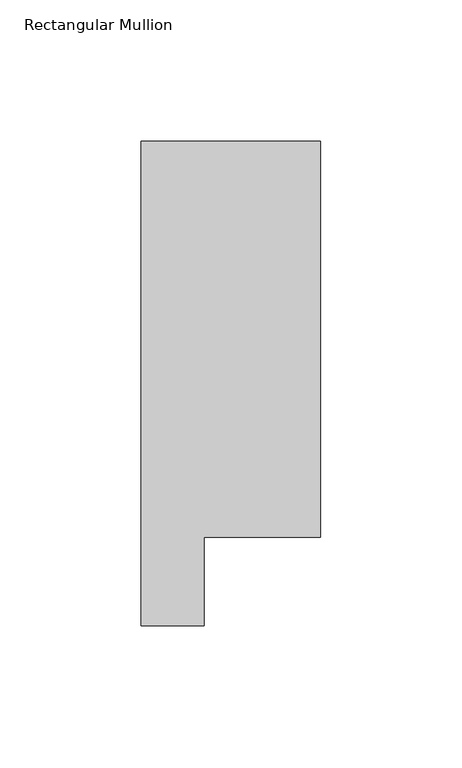
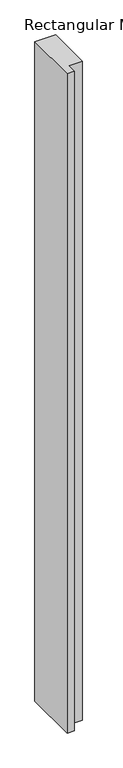
"""IFC4 building model written with IfcOpenShell, lengths in millimetres: member geometry, Rectangular Mullion."""

import ifcopenshell
import ifcopenshell.guid

model = None  # the IFC model being written
_history = None  # IfcOwnerHistory: only IFC2X3 demands one
_inside = {}  # id of a spatial element -> (the spatial element, [elements in it])
_under = {}  # id of a project, library or spatial element -> (it, [spatial elements below it])
_declared = {}  # id of a project -> (the project, [libraries it declares])
_typed = {}  # id of a type object -> (the type object, [elements of that type])
_made_of = {}  # id of a material, layer set ... -> (it, [elements and type objects made of it])


def new_model(schema):
    """Start an empty IFC model of exactly this schema.

    Asked for "IFC4X3", IfcOpenShell would pick the latest addendum, in which some entities
    have other attributes; the version numbers below select the first issue.
    IFC2X3 requires an IfcOwnerHistory on every rooted entity: one is made here for all.
    """
    global model, _history
    if schema == "IFC4X3":
        model = ifcopenshell.file(schema_version=(4, 3, 0, 0))
    else:
        model = ifcopenshell.file(schema=schema)
    _inside.clear()
    _under.clear()
    _declared.clear()
    _typed.clear()
    _made_of.clear()
    _history = None
    if model.schema == "IFC2X3":
        org = make("IfcOrganization", Name="unknown")
        user = make(
            "IfcPersonAndOrganization",
            ThePerson=make("IfcPerson", FamilyName="unknown"),
            TheOrganization=org,
        )
        app = make(
            "IfcApplication",
            ApplicationDeveloper=org,
            Version="unknown",
            ApplicationFullName="unknown",
            ApplicationIdentifier="unknown",
        )
        _history = make(
            "IfcOwnerHistory",
            OwningUser=user,
            OwningApplication=app,
            ChangeAction="ADDED",
            CreationDate=0,
        )
    return model


def make(cls, **values):
    """One entity of the class cls with the attributes given. An attribute that is None is left unset."""
    return model.create_entity(
        cls, **{name: value for name, value in values.items() if value is not None}
    )


def rooted(cls, **values):
    """An entity with a GlobalId (a new one), such as an element, a storey or a relation."""
    return make(cls, GlobalId=ifcopenshell.guid.new(), OwnerHistory=_history, **values)


def si_unit(unit_type, name, prefix=None):
    """IfcSIUnit, for example si_unit("LENGTHUNIT", "METRE", prefix="MILLI")."""
    return make("IfcSIUnit", UnitType=unit_type, Prefix=prefix, Name=name)


def assignment(units):
    """IfcUnitAssignment: the units of a project."""
    return None if units is None else make("IfcUnitAssignment", Units=units)


def point(xyz):
    """IfcCartesianPoint."""
    return None if xyz is None else make("IfcCartesianPoint", Coordinates=xyz)


def direction(xyz):
    """IfcDirection."""
    return None if xyz is None else make("IfcDirection", DirectionRatios=xyz)


def frame(location, z_axis=None, x_axis=None):
    """IfcAxis2Placement3D, a coordinate frame: its origin and axes. An axis left out is left unset."""
    return make(
        "IfcAxis2Placement3D",
        Location=point(location),
        Axis=direction(z_axis),
        RefDirection=direction(x_axis),
    )


def origin():
    """The frame at (0, 0, 0) with its axes left unset."""
    return frame((0.0, 0.0, 0.0))


def place(relative_to, where):
    """IfcLocalPlacement: puts the frame where relative to a parent placement (None: the world)."""
    return make(
        "IfcLocalPlacement", PlacementRelTo=relative_to, RelativePlacement=where
    )


def context(
    kind, dimensions, precision=None, world=None, true_north=None, identifier=None
):
    """IfcGeometricRepresentationContext, for example the 3D "Model" context."""
    return make(
        "IfcGeometricRepresentationContext",
        ContextIdentifier=identifier,
        ContextType=kind,
        CoordinateSpaceDimension=dimensions,
        Precision=precision,
        WorldCoordinateSystem=world,
        TrueNorth=true_north,
    )


def project(units=None, contexts=None):
    """IfcProject with its units and contexts."""
    return rooted(
        "IfcProject",
        Name="project",
        RepresentationContexts=contexts,
        UnitsInContext=assignment(units),
    )


def spatial(cls, under=None, at=None, **own):
    """A site, building, storey or space (cls), placed at a placement, below another one or the project."""
    s = rooted(cls, ObjectPlacement=at, **own)
    if under is not None:
        _under.setdefault(under.id(), (under, []))[1].append(s)
    return s


def polyline(points):
    """IfcPolyline through the points."""
    return make("IfcPolyline", Points=[point(p) for p in points])


def outline(outer, holes=None, kind="AREA"):
    """IfcArbitraryClosedProfileDef: a profile drawn as a closed curve; with holes, ...WithVoids."""
    if holes is None:
        return make("IfcArbitraryClosedProfileDef", ProfileType=kind, OuterCurve=outer)
    return make(
        "IfcArbitraryProfileDefWithVoids",
        ProfileType=kind,
        OuterCurve=outer,
        InnerCurves=holes,
    )


def extrude(swept, where, along, depth):
    """IfcExtrudedAreaSolid: the profile swept, set in the frame where, extruded along a direction by depth."""
    return make(
        "IfcExtrudedAreaSolid",
        SweptArea=swept,
        Position=where,
        ExtrudedDirection=direction(along),
        Depth=depth,
    )


def shape(context_of_items, identifier, shape_type, items):
    """IfcShapeRepresentation: the items that make up one representation, for example the "Body"."""
    return make(
        "IfcShapeRepresentation",
        ContextOfItems=context_of_items,
        RepresentationIdentifier=identifier,
        RepresentationType=shape_type,
        Items=items,
    )


def source(mapping_origin, context_of_items, identifier, shape_type, items):
    """IfcRepresentationMap: a shape defined once, which mapped items show again and again."""
    return make(
        "IfcRepresentationMap",
        MappingOrigin=mapping_origin,
        MappedRepresentation=shape(context_of_items, identifier, shape_type, items),
    )


def transform(
    local_origin,
    x_axis=None,
    y_axis=None,
    z_axis=None,
    scale=None,
    scale2=None,
    scale3=None,
    uniform=True,
):
    """IfcCartesianTransformationOperator3D, or its non-uniform kind. x_axis, y_axis, z_axis: its Axis1, 2, 3."""
    if uniform:
        return make(
            "IfcCartesianTransformationOperator3D",
            Axis1=direction(x_axis),
            Axis2=direction(y_axis),
            LocalOrigin=point(local_origin),
            Scale=scale,
            Axis3=direction(z_axis),
        )
    return make(
        "IfcCartesianTransformationOperator3DnonUniform",
        Axis1=direction(x_axis),
        Axis2=direction(y_axis),
        LocalOrigin=point(local_origin),
        Scale=scale,
        Axis3=direction(z_axis),
        Scale2=scale2,
        Scale3=scale3,
    )


def mapped(mapping_source, mapping_target):
    """IfcMappedItem: shows the shape of a source again, moved by a transform."""
    return make(
        "IfcMappedItem", MappingSource=mapping_source, MappingTarget=mapping_target
    )


def made_of(thing, what):
    """Note that an element or type object is made of a material, layer set ...; save() writes the relation."""
    if what is not None:
        _made_of.setdefault(what.id(), (what, []))[1].append(thing)
    return thing


def element(
    cls,
    number,
    at=None,
    inside=None,
    cuts=None,
    type_object=None,
    material=None,
    context=None,
    identifier="Body",
    shape_type=None,
    held_by="IfcProductDefinitionShape",
    body=None,
    shapes=None,
    **own,
):
    """One element of the class cls, such as IfcWall. Its Tag is "e" and its number.

    at: its placement. inside: the storey or other place that contains it. cuts: it is an
    opening in that element (IfcRelVoidsElement). A single representation is given by context,
    identifier, shape_type and body (its items); several are given by shapes. held_by: the class
    of the entity that holds the representations. save() writes the other relations.
    """
    e = rooted(cls, Tag="e%d" % number, ObjectPlacement=at, **own)
    if body is not None:
        shapes = [shape(context, identifier, shape_type, body)]
    if shapes is not None:
        e.Representation = make(held_by, Representations=shapes)
    if inside is not None:
        _inside.setdefault(inside.id(), (inside, []))[1].append(e)
    if cuts is not None:
        rooted(
            "IfcRelVoidsElement", RelatingBuildingElement=cuts, RelatedOpeningElement=e
        )
    if type_object is not None:
        _typed.setdefault(type_object.id(), (type_object, []))[1].append(e)
    return made_of(e, material)


def aggregate(whole, parts):
    """IfcRelAggregates: a whole, such as a stair, and the parts it consists of."""
    return rooted("IfcRelAggregates", RelatingObject=whole, RelatedObjects=parts)


def save(model, path):
    """Write the relations noted so far, then the file.

    IfcRelAggregates (storeys below a building ...), IfcRelContainedInSpatialStructure (elements
    in a storey), IfcRelDefinesByType, IfcRelAssociatesMaterial and IfcRelDeclares: one each for
    every whole, place, type object, material and project.
    """
    for whole, parts in _under.values():
        aggregate(whole, parts)
    for where, things in _inside.values():
        rooted(
            "IfcRelContainedInSpatialStructure",
            RelatedElements=things,
            RelatingStructure=where,
        )
    for kind, things in _typed.values():
        rooted("IfcRelDefinesByType", RelatedObjects=things, RelatingType=kind)
    for what, things in _made_of.values():
        rooted("IfcRelAssociatesMaterial", RelatedObjects=things, RelatingMaterial=what)
    for by, libraries in _declared.values():
        rooted("IfcRelDeclares", RelatingContext=by, RelatedDefinitions=libraries)
    model.write(path)


def rectangular_mullion_239b420e(model_context):
    return source(origin(), model_context, "Body", "SweptSolid", [
        extrude(outline(polyline([(-31.75, 190.7881313), (31.75, 190.7881313), (31.75, 50.820278), (-9.5377, 50.820278), (-9.5377, 19.5667313), (-31.75, 19.5667313), (-31.75, 190.7881313)])), frame((0.0, 0.0, -2133.6), z_axis=(0.0, 0.0, 1.0), x_axis=(1.0, 0.0, 0.0)), (0.0, 0.0, 1.0), 2133.6),
    ])


if __name__ == "__main__":
    model = new_model("IFC4")
    model_context = context("Model", 3, world=origin())
    ifc_project = project(units=[si_unit("LENGTHUNIT", "METRE", prefix="MILLI")], contexts=[model_context])
    site = spatial("IfcSite", under=ifc_project)
    building = spatial("IfcBuilding", under=site)
    placement = place(None, origin())
    rectangular_mullion_shape = rectangular_mullion_239b420e(model_context)
    element("IfcMember", 1, ObjectType="Rectangular Mullion", at=placement, inside=building, context=model_context, shape_type="MappedRepresentation", body=[
        mapped(rectangular_mullion_shape, transform((0.0, 0.0, 0.0), x_axis=(1.0, 0.0, 0.0), y_axis=(0.0, 1.0, 0.0), z_axis=(0.0, 0.0, 1.0))),
    ])
    save(model, "model.ifc")
